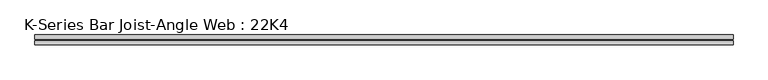
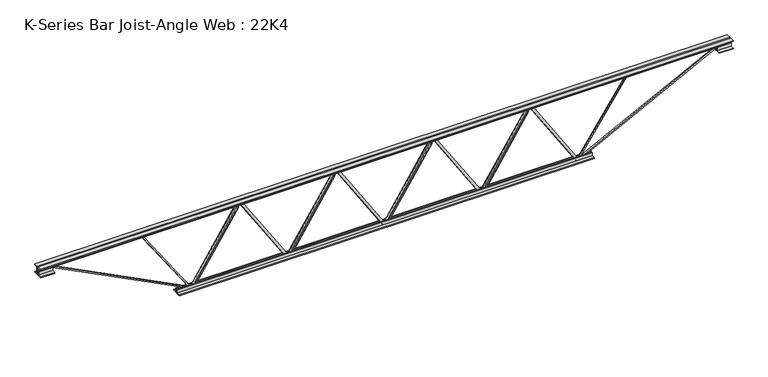
"""IFC4 building model written with IfcOpenShell, lengths in millimetres: beam geometry, K-Series Bar Joist-Angle Web : 22K4."""

from ifc_helpers import new_model, si_unit, frame, origin, place, context, project, spatial, polyline, outline, extrude, faceted_brep, source, transform, mapped, element, save


def k_series_bar_joist_angle_web_22k4_a3d83d13(model_context):
    return source(origin(), model_context, "Body", "SolidModel", [
        extrude(outline(polyline([(-4.7625, 4.7625), (-4.7625, 0.0), (-17.4625, 0.0), (-17.4625, 4.7625), (-4.7625, 4.7625)])), frame((674.6203751, 0.0, -241.3), z_axis=(-0.5394269906817154, 0.0, 0.8420323756982677), x_axis=(0.0, -1.0, 0.0)), (0.0, 0.0, 1.0), 573.1371072),
        extrude(outline(polyline([(-276.225, 708.5541667), (-257.175, 708.5541667), (-257.175, 707.4141301), (276.225, 365.7047551), (276.225, 347.7947917), (257.175, 347.7947917), (257.175, 355.2848282), (-276.225, 696.9942032), (-276.225, 708.5541667)])), frame((0.0, 0.0, 0.0), z_axis=(0.0, 1.0, 0.0), x_axis=(0.0, 0.0, 1.0)), (0.0, 0.0, 1.0), 4.7625),
        faceted_brep([(-0.2645833, 0.0, -257.175), (-0.2645833, 0.0, -276.225), (-0.2645833, -4.7625, -276.225), (-0.2645833, -4.7625, -257.175), (0.8754532, 0.0, -257.175), (342.5848282, 0.0, 276.225), (360.4947917, 0.0, 276.225), (360.4947917, 0.0, 257.175), (353.0047551, 0.0, 257.175), (11.2953801, 0.0, -276.225), (11.2953801, -4.7625, -276.225), (33.6692083, -4.7625, -241.3), (29.6590291, -4.7625, -238.730979), (338.8246541, -4.7625, 243.869021), (342.8348333, -4.7625, 241.3), (353.0047551, -4.7625, 257.175), (360.4947917, -4.7625, 257.175), (360.4947917, -4.7625, 276.225), (342.5848282, -4.7625, 276.225), (0.8754532, -4.7625, -257.175), (342.8348333, -17.4625, 241.3), (33.6692083, -17.4625, -241.3), (29.6590291, -17.4625, -238.730979), (338.8246541, -17.4625, 243.869021)], [[[0, 1, 2, 3]], [[1, 0, 4, 5, 6, 7, 8, 9]], [[2, 1, 9, 10]], [[3, 2, 10, 11, 12, 13, 14, 15, 16, 17, 18, 19]], [[0, 3, 19, 4]], [[9, 8, 15, 14, 20, 21, 11, 10]], [[5, 4, 19, 18]], [[7, 6, 17, 16]], [[8, 7, 16, 15]], [[6, 5, 18, 17]], [[21, 22, 12, 11]], [[20, 14, 13, 23]], [[22, 21, 20, 23]], [[12, 22, 23, 13]]]),
        extrude(outline(polyline([(-4.7625, 4.7625), (-4.7625, 0.0), (-17.4625, 0.0), (-17.4625, 4.7625), (-4.7625, 4.7625)])), frame((-33.6692083, 0.0, -241.3), z_axis=(-0.5394269906817154, 0.0, 0.8420323756982677), x_axis=(0.0, -1.0, 0.0)), (0.0, 0.0, 1.0), 573.1371072),
        extrude(outline(polyline([(-276.225, 0.2645833), (-257.175, 0.2645833), (-257.175, -0.8754532), (276.225, -342.5848282), (276.225, -360.4947917), (257.175, -360.4947917), (257.175, -353.0047551), (-276.225, -11.2953801), (-276.225, 0.2645833)])), frame((0.0, 0.0, 0.0), z_axis=(0.0, 1.0, 0.0), x_axis=(0.0, 0.0, 1.0)), (0.0, 0.0, 1.0), 4.7625),
        faceted_brep([(-708.5541667, 0.0, -257.175), (-708.5541667, 0.0, -276.225), (-708.5541667, -4.7625, -276.225), (-708.5541667, -4.7625, -257.175), (-707.4141301, 0.0, -257.175), (-365.7047551, 0.0, 276.225), (-347.7947917, 0.0, 276.225), (-347.7947917, 0.0, 257.175), (-355.2848282, 0.0, 257.175), (-696.9942032, 0.0, -276.225), (-696.9942032, -4.7625, -276.225), (-674.6203751, -4.7625, -241.3), (-678.6305543, -4.7625, -238.730979), (-369.4649293, -4.7625, 243.869021), (-365.4547501, -4.7625, 241.3), (-355.2848282, -4.7625, 257.175), (-347.7947917, -4.7625, 257.175), (-347.7947917, -4.7625, 276.225), (-365.7047551, -4.7625, 276.225), (-707.4141301, -4.7625, -257.175), (-365.4547501, -17.4625, 241.3), (-674.6203751, -17.4625, -241.3), (-678.6305543, -17.4625, -238.730979), (-369.4649293, -17.4625, 243.869021)], [[[0, 1, 2, 3]], [[1, 0, 4, 5, 6, 7, 8, 9]], [[2, 1, 9, 10]], [[3, 2, 10, 11, 12, 13, 14, 15, 16, 17, 18, 19]], [[0, 3, 19, 4]], [[9, 8, 15, 14, 20, 21, 11, 10]], [[5, 4, 19, 18]], [[7, 6, 17, 16]], [[8, 7, 16, 15]], [[6, 5, 18, 17]], [[21, 22, 12, 11]], [[20, 14, 13, 23]], [[22, 21, 20, 23]], [[12, 22, 23, 13]]]),
        extrude(outline(polyline([(-4.7625, 4.7625), (-4.7625, 0.0), (-17.4625, 0.0), (-17.4625, 4.7625), (-4.7625, 4.7625)])), frame((1382.9099584, 0.0, -241.3), z_axis=(-0.5394269906817154, 0.0, 0.8420323756982677), x_axis=(0.0, -1.0, 0.0)), (0.0, 0.0, 1.0), 573.1371072),
        extrude(outline(polyline([(-276.225, 1416.84375), (-257.175, 1416.84375), (-257.175, 1415.7037135), (276.225, 1073.9943385), (276.225, 1056.084375), (257.175, 1056.084375), (257.175, 1063.5744115), (-276.225, 1405.2837865), (-276.225, 1416.84375)])), frame((0.0, 0.0, 0.0), z_axis=(0.0, 1.0, 0.0), x_axis=(0.0, 0.0, 1.0)), (0.0, 0.0, 1.0), 4.7625),
        faceted_brep([(708.025, 0.0, -257.175), (708.025, 0.0, -276.225), (708.025, -4.7625, -276.225), (708.025, -4.7625, -257.175), (709.1650365, 0.0, -257.175), (1050.8744115, 0.0, 276.225), (1068.784375, 0.0, 276.225), (1068.784375, 0.0, 257.175), (1061.2943385, 0.0, 257.175), (719.5849635, 0.0, -276.225), (719.5849635, -4.7625, -276.225), (741.9587916, -4.7625, -241.3), (737.9486124, -4.7625, -238.730979), (1047.1142374, -4.7625, 243.869021), (1051.1244166, -4.7625, 241.3), (1061.2943385, -4.7625, 257.175), (1068.784375, -4.7625, 257.175), (1068.784375, -4.7625, 276.225), (1050.8744115, -4.7625, 276.225), (709.1650365, -4.7625, -257.175), (1051.1244166, -17.4625, 241.3), (741.9587916, -17.4625, -241.3), (737.9486124, -17.4625, -238.730979), (1047.1142374, -17.4625, 243.869021)], [[[0, 1, 2, 3]], [[1, 0, 4, 5, 6, 7, 8, 9]], [[2, 1, 9, 10]], [[3, 2, 10, 11, 12, 13, 14, 15, 16, 17, 18, 19]], [[0, 3, 19, 4]], [[9, 8, 15, 14, 20, 21, 11, 10]], [[5, 4, 19, 18]], [[7, 6, 17, 16]], [[8, 7, 16, 15]], [[6, 5, 18, 17]], [[21, 22, 12, 11]], [[20, 14, 13, 23]], [[22, 21, 20, 23]], [[12, 22, 23, 13]]]),
        extrude(outline(polyline([(-4.7625, 4.7625), (-4.7625, 0.0), (-17.4625, 0.0), (-17.4625, 4.7625), (-4.7625, 4.7625)])), frame((-741.9587916, 0.0, -241.3), z_axis=(-0.5394269906817154, 0.0, 0.8420323756982677), x_axis=(0.0, -1.0, 0.0)), (0.0, 0.0, 1.0), 573.1371072),
        extrude(outline(polyline([(-276.225, -708.025), (-257.175, -708.025), (-257.175, -709.1650365), (276.225, -1050.8744115), (276.225, -1068.784375), (257.175, -1068.784375), (257.175, -1061.2943385), (-276.225, -719.5849635), (-276.225, -708.025)])), frame((0.0, 0.0, 0.0), z_axis=(0.0, 1.0, 0.0), x_axis=(0.0, 0.0, 1.0)), (0.0, 0.0, 1.0), 4.7625),
        faceted_brep([(-1416.84375, 0.0, -257.175), (-1416.84375, 0.0, -276.225), (-1416.84375, -4.7625, -276.225), (-1416.84375, -4.7625, -257.175), (-1415.7037135, 0.0, -257.175), (-1073.9943385, 0.0, 276.225), (-1056.084375, 0.0, 276.225), (-1056.084375, 0.0, 257.175), (-1063.5744115, 0.0, 257.175), (-1405.2837865, 0.0, -276.225), (-1405.2837865, -4.7625, -276.225), (-1382.9099584, -4.7625, -241.3), (-1386.9201376, -4.7625, -238.730979), (-1077.7545126, -4.7625, 243.869021), (-1073.7443334, -4.7625, 241.3), (-1063.5744115, -4.7625, 257.175), (-1056.084375, -4.7625, 257.175), (-1056.084375, -4.7625, 276.225), (-1073.9943385, -4.7625, 276.225), (-1415.7037135, -4.7625, -257.175), (-1073.7443334, -17.4625, 241.3), (-1382.9099584, -17.4625, -241.3), (-1386.9201376, -17.4625, -238.730979), (-1077.7545126, -17.4625, 243.869021)], [[[0, 1, 2, 3]], [[1, 0, 4, 5, 6, 7, 8, 9]], [[2, 1, 9, 10]], [[3, 2, 10, 11, 12, 13, 14, 15, 16, 17, 18, 19]], [[0, 3, 19, 4]], [[9, 8, 15, 14, 20, 21, 11, 10]], [[5, 4, 19, 18]], [[7, 6, 17, 16]], [[8, 7, 16, 15]], [[6, 5, 18, 17]], [[21, 22, 12, 11]], [[20, 14, 13, 23]], [[22, 21, 20, 23]], [[12, 22, 23, 13]]]),
        extrude(outline(polyline([(4.7625, 279.4), (36.5125, 279.4), (36.5125, 273.05), (11.1125, 273.05), (11.1125, 247.65), (4.7625, 247.65), (4.7625, 279.4)])), frame((-2534.44375, 0.0, 0.0), z_axis=(1.0, 0.0, 0.0), x_axis=(0.0, 1.0, 0.0)), (0.0, 0.0, 1.0), 5068.8875),
        extrude(outline(polyline([(-4.7625, 279.4), (-4.7625, 247.65), (-11.1125, 247.65), (-11.1125, 273.05), (-36.5125, 273.05), (-36.5125, 279.4), (-4.7625, 279.4)])), frame((-2534.44375, 0.0, 0.0), z_axis=(1.0, 0.0, 0.0), x_axis=(0.0, 1.0, 0.0)), (0.0, 0.0, 1.0), 5068.8875),
        extrude(outline(polyline([(-4.7625, 215.9), (-36.5125, 215.9), (-36.5125, 222.25), (-11.1125, 222.25), (-11.1125, 247.65), (-4.7625, 247.65), (-4.7625, 215.9)])), frame((-2534.44375, 0.0, 0.0), z_axis=(1.0, 0.0, 0.0), x_axis=(0.0, 1.0, 0.0)), (0.0, 0.0, 1.0), 101.6),
        extrude(outline(polyline([(36.5125, 215.9), (4.7625, 215.9), (4.7625, 247.65), (11.1125, 247.65), (11.1125, 222.25), (36.5125, 222.25), (36.5125, 215.9)])), frame((-2534.44375, 0.0, 0.0), z_axis=(1.0, 0.0, 0.0), x_axis=(0.0, 1.0, 0.0)), (0.0, 0.0, 1.0), 101.6),
        extrude(outline(polyline([(4.7625, 215.9), (4.7625, 247.65), (11.1125, 247.65), (11.1125, 222.25), (36.5125, 222.25), (36.5125, 215.9), (4.7625, 215.9)])), frame((2432.84375, 0.0, 0.0), z_axis=(1.0, 0.0, 0.0), x_axis=(0.0, 1.0, 0.0)), (0.0, 0.0, 1.0), 101.6),
        extrude(outline(polyline([(-4.7625, 215.9), (-36.5125, 215.9), (-36.5125, 222.25), (-11.1125, 222.25), (-11.1125, 247.65), (-4.7625, 247.65), (-4.7625, 215.9)])), frame((2432.84375, 0.0, 0.0), z_axis=(1.0, 0.0, 0.0), x_axis=(0.0, 1.0, 0.0)), (0.0, 0.0, 1.0), 101.6),
        extrude(outline(polyline([(4.7625, -279.4), (4.7625, -247.65), (11.1125, -247.65), (11.1125, -273.05), (36.5125, -273.05), (36.5125, -279.4), (4.7625, -279.4)])), frame((-1518.44375, 0.0, 0.0), z_axis=(1.0, 0.0, 0.0), x_axis=(0.0, 1.0, 0.0)), (0.0, 0.0, 1.0), 3036.8875),
        extrude(outline(polyline([(-4.7625, -279.4), (-36.5125, -279.4), (-36.5125, -273.05), (-11.1125, -273.05), (-11.1125, -247.65), (-4.7625, -247.65), (-4.7625, -279.4)])), frame((-1518.44375, 0.0, 0.0), z_axis=(1.0, 0.0, 0.0), x_axis=(0.0, 1.0, 0.0)), (0.0, 0.0, 1.0), 3036.8875),
        extrude(outline(polyline([(4.7625, 4.7625), (4.7625, -4.7625), (-4.7625, -4.7625), (-4.7625, 4.7625), (4.7625, 4.7625)])), frame((1416.84375, 0.0, -273.05), z_axis=(0.5626718911215896, 0.0, 0.8266803148386044), x_axis=(0.0, -1.0, 0.0)), (0.0, 0.0, 1.0), 629.8686332),
        extrude(outline(polyline([(4.7625, 4.7625), (4.7625, -4.7625), (-4.7625, -4.7625), (-4.7625, 4.7625), (4.7625, 4.7625)])), frame((-1416.84375, 0.0, -273.05), z_axis=(-0.562671891121569, 0.0, 0.8266803148386184), x_axis=(0.0, -1.0, 0.0)), (0.0, 0.0, 1.0), 629.8686332),
        extrude(outline(polyline([(0.0, -9.525), (0.0, 0.0), (1141.6586574, 0.0), (1141.6586574, -9.525), (0.0, -9.525)])), frame((2435.0158824, -4.7625, 243.4116929), z_axis=(-0.4560907909100907, 0.0, 0.8899332505570337), x_axis=(-0.8899332505570337, 0.0, -0.4560907909100907)), (0.0, 0.0, 1.0), 9.525),
        extrude(outline(polyline([(0.0, -9.525), (0.0, 0.0), (1141.6586574, 0.0), (1141.6586574, -9.525), (0.0, -9.525)])), frame((-2435.0158824, 4.7625, 243.4116929), z_axis=(0.4560907909100897, 0.0, 0.8899332505570341), x_axis=(0.8899332505570341, 0.0, -0.4560907909100897)), (0.0, 0.0, 1.0), 9.525),
    ])


if __name__ == "__main__":
    model = new_model("IFC4")
    model_context = context("Model", 3, world=origin())
    ifc_project = project(units=[si_unit("LENGTHUNIT", "METRE", prefix="MILLI")], contexts=[model_context])
    site = spatial("IfcSite", under=ifc_project)
    building = spatial("IfcBuilding", under=site)
    placement = place(None, origin())
    k_series_bar_joist_angle_web_22k4_shape = k_series_bar_joist_angle_web_22k4_a3d83d13(model_context)
    element("IfcBeam", 1, ObjectType="K-Series Bar Joist-Angle Web : 22K4", at=placement, inside=building, context=model_context, shape_type="MappedRepresentation", body=[
        mapped(k_series_bar_joist_angle_web_22k4_shape, transform((0.0, 0.0, 0.0), x_axis=(1.0, 0.0, 0.0), y_axis=(0.0, 1.0, 0.0), z_axis=(0.0, 0.0, 1.0))),
    ])
    save(model, "model.ifc")
